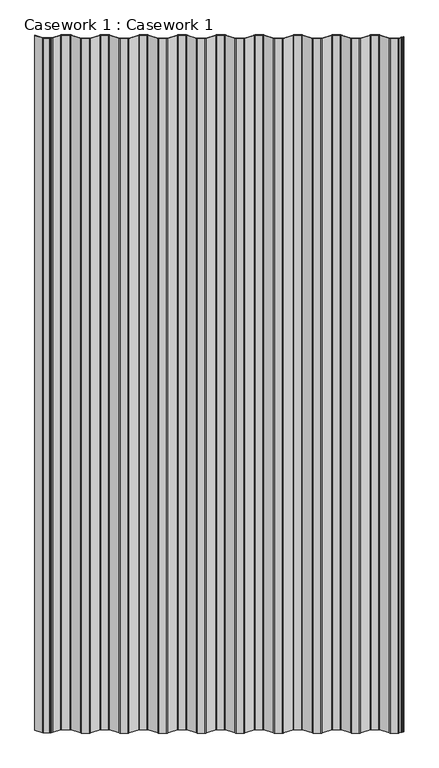
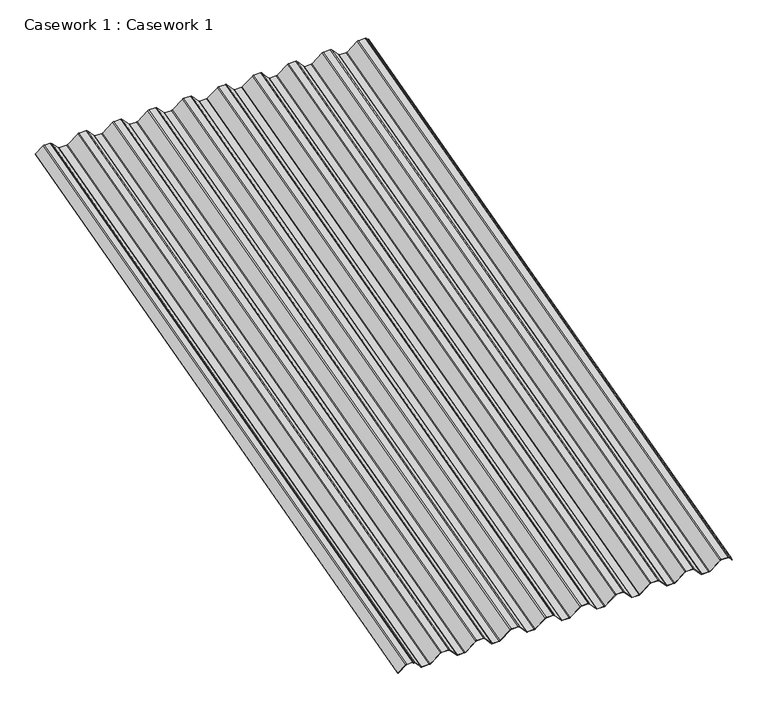
"""IFC4 building model written with IfcOpenShell, lengths in millimetres: furniture geometry, Casework 1 : Casework 1."""

from ifc_helpers import new_model, si_unit, point, frame, frame_2d, origin, place, context, project, spatial, polyline, circle_curve, trimmed, segment, composite_curve, outline, extrude, source, transform, mapped, element, save


def casework_1_casework_1_be4802f5(model_context):
    return source(origin(), model_context, "Body", "SweptSolid", [
        extrude(outline(composite_curve([segment(polyline([(22.4266797, 18.2436099), (17.0394884, 22.7230352)]), True, "CONTINUOUS"), segment(trimmed(circle_curve(frame_2d((17.4272006, 23.0454162)), 0.5042323), [point((17.0394884, 22.7230352))], [point((17.7495816, 23.4331284))], False, "CARTESIAN"), True, "CONTINUOUS"), segment(polyline([(17.7495816, 23.4331284), (22.7475344, 19.2773532), (24.8599332, 19.4717018), (25.628849, 18.8323518), (25.8231976, 16.719953), (30.8211505, 12.5641778)]), True, "CONTINUOUS"), segment(trimmed(circle_curve(frame_2d((28.25, 9.5)), 4.0), [point((30.8211505, 12.5641778))], [point((32.25, 9.5))], False, "CARTESIAN"), True, "CONTINUOUS"), segment(polyline([(32.25, 9.5), (32.25, -9.5)]), True, "CONTINUOUS"), segment(trimmed(circle_curve(frame_2d((28.25, -9.5)), 4.0), [point((32.25, -9.5))], [point((30.8282571, -12.5582005))], False, "CARTESIAN"), True, "CONTINUOUS"), segment(polyline([(30.8282571, -12.5582005), (2.0663072, -36.8063496)]), True, "CONTINUOUS"), segment(trimmed(circle_curve(frame_2d((4.0, -39.1)), 3.0), [point((2.0663072, -36.8063496))], [point((1.0, -39.1))], True, "CARTESIAN"), True, "CONTINUOUS"), segment(polyline([(1.0, -39.1), (1.0, -58.12)]), True, "CONTINUOUS"), segment(trimmed(circle_curve(frame_2d((4.0, -58.12)), 3.0), [point((1.0, -58.12))], [point((2.0663065, -60.4136498))], True, "CARTESIAN"), True, "CONTINUOUS"), segment(polyline([(2.0663065, -60.4136498), (30.8211505, -84.6558222)]), True, "CONTINUOUS"), segment(trimmed(circle_curve(frame_2d((28.25, -87.72)), 4.0), [point((30.8211505, -84.6558222))], [point((32.25, -87.72))], False, "CARTESIAN"), True, "CONTINUOUS"), segment(polyline([(32.25, -87.72), (32.25, -106.72)]), True, "CONTINUOUS"), segment(trimmed(circle_curve(frame_2d((28.25, -106.72)), 4.0), [point((32.25, -106.72))], [point((30.8211505, -109.7841778))], False, "CARTESIAN"), True, "CONTINUOUS"), segment(polyline([(30.8211505, -109.7841778), (2.0716372, -134.0218666)]), True, "CONTINUOUS"), segment(trimmed(circle_curve(frame_2d((4.0, -136.32)), 3.0), [point((2.0716372, -134.0218666))], [point((1.0, -136.32))], True, "CARTESIAN"), True, "CONTINUOUS"), segment(polyline([(1.0, -136.32), (1.0, -155.342)]), True, "CONTINUOUS"), segment(trimmed(circle_curve(frame_2d((4.0, -155.342)), 3.0), [point((1.0, -155.342))], [point((2.0716372, -157.6401333))], True, "CARTESIAN"), True, "CONTINUOUS"), segment(polyline([(2.0716372, -157.6401333), (30.8211505, -181.8778222)]), True, "CONTINUOUS"), segment(trimmed(circle_curve(frame_2d((28.25, -184.942)), 4.0), [point((30.8211505, -181.8778222))], [point((32.25, -184.942))], False, "CARTESIAN"), True, "CONTINUOUS"), segment(polyline([(32.25, -184.942), (32.25, -203.942)]), True, "CONTINUOUS"), segment(trimmed(circle_curve(frame_2d((28.25, -203.942)), 4.0), [point((32.25, -203.942))], [point((30.8282571, -207.0002005))], False, "CARTESIAN"), True, "CONTINUOUS"), segment(polyline([(30.8282571, -207.0002005), (2.0663072, -231.2483496)]), True, "CONTINUOUS"), segment(trimmed(circle_curve(frame_2d((4.0, -233.542)), 3.0), [point((2.0663072, -231.2483496))], [point((1.0, -233.542))], True, "CARTESIAN"), True, "CONTINUOUS"), segment(polyline([(1.0, -233.542), (1.0, -252.564)]), True, "CONTINUOUS"), segment(trimmed(circle_curve(frame_2d((4.0, -252.564)), 3.0), [point((1.0, -252.564))], [point((2.0716372, -254.8621333))], True, "CARTESIAN"), True, "CONTINUOUS"), segment(polyline([(2.0716372, -254.8621333), (30.8211505, -279.0998222)]), True, "CONTINUOUS"), segment(trimmed(circle_curve(frame_2d((28.25, -282.164)), 4.0), [point((30.8211505, -279.0998222))], [point((32.25, -282.164))], False, "CARTESIAN"), True, "CONTINUOUS"), segment(polyline([(32.25, -282.164), (32.25, -301.164)]), True, "CONTINUOUS"), segment(trimmed(circle_curve(frame_2d((28.25, -301.164)), 4.0), [point((32.25, -301.164))], [point((30.8282578, -304.2221999))], False, "CARTESIAN"), True, "CONTINUOUS"), segment(polyline([(30.8282578, -304.2221999), (2.0716372, -328.4658666)]), True, "CONTINUOUS"), segment(trimmed(circle_curve(frame_2d((4.0, -330.764)), 3.0), [point((2.0716372, -328.4658666))], [point((1.0, -330.764))], True, "CARTESIAN"), True, "CONTINUOUS"), segment(polyline([(1.0, -330.764), (1.0, -349.786)]), True, "CONTINUOUS"), segment(trimmed(circle_curve(frame_2d((4.0, -349.786)), 3.0), [point((1.0, -349.786))], [point((2.0716372, -352.0841333))], True, "CARTESIAN"), True, "CONTINUOUS"), segment(polyline([(2.0716372, -352.0841333), (30.8211505, -376.3218222)]), True, "CONTINUOUS"), segment(trimmed(circle_curve(frame_2d((28.25, -379.386)), 4.0), [point((30.8211505, -376.3218222))], [point((32.25, -379.386))], False, "CARTESIAN"), True, "CONTINUOUS"), segment(polyline([(32.25, -379.386), (32.25, -398.386)]), True, "CONTINUOUS"), segment(trimmed(circle_curve(frame_2d((28.25, -398.386)), 4.0), [point((32.25, -398.386))], [point((30.8211505, -401.4501778))], False, "CARTESIAN"), True, "CONTINUOUS"), segment(polyline([(30.8211505, -401.4501778), (2.0663065, -425.6923502)]), True, "CONTINUOUS"), segment(trimmed(circle_curve(frame_2d((4.0, -427.986)), 3.0), [point((2.0663065, -425.6923502))], [point((1.0, -427.986))], True, "CARTESIAN"), True, "CONTINUOUS"), segment(polyline([(1.0, -427.986), (1.0, -447.008)]), True, "CONTINUOUS"), segment(trimmed(circle_curve(frame_2d((4.0, -447.008)), 3.0), [point((1.0, -447.008))], [point((2.0663072, -449.3016504))], True, "CARTESIAN"), True, "CONTINUOUS"), segment(polyline([(2.0663072, -449.3016504), (30.8282571, -473.5497995)]), True, "CONTINUOUS"), segment(trimmed(circle_curve(frame_2d((28.25, -476.608)), 4.0), [point((30.8282571, -473.5497995))], [point((32.25, -476.608))], False, "CARTESIAN"), True, "CONTINUOUS"), segment(polyline([(32.25, -476.608), (32.25, -495.608)]), True, "CONTINUOUS"), segment(trimmed(circle_curve(frame_2d((28.25, -495.608)), 4.0), [point((32.25, -495.608))], [point((30.8282578, -498.6661999))], False, "CARTESIAN"), True, "CONTINUOUS"), segment(polyline([(30.8282578, -498.6661999), (2.0716372, -522.9098666)]), True, "CONTINUOUS"), segment(trimmed(circle_curve(frame_2d((4.0, -525.208)), 3.0), [point((2.0716372, -522.9098666))], [point((1.0, -525.208))], True, "CARTESIAN"), True, "CONTINUOUS"), segment(polyline([(1.0, -525.208), (1.0, -544.232)]), True, "CONTINUOUS"), segment(trimmed(circle_curve(frame_2d((4.0, -544.232)), 3.0), [point((1.0, -544.232))], [point((2.0716372, -546.5301333))], True, "CARTESIAN"), True, "CONTINUOUS"), segment(polyline([(2.0716372, -546.5301333), (30.8211505, -570.7678222)]), True, "CONTINUOUS"), segment(trimmed(circle_curve(frame_2d((28.25, -573.832)), 4.0), [point((30.8211505, -570.7678222))], [point((32.25, -573.832))], False, "CARTESIAN"), True, "CONTINUOUS"), segment(polyline([(32.25, -573.832), (32.25, -592.832)]), True, "CONTINUOUS"), segment(trimmed(circle_curve(frame_2d((28.25, -592.832)), 4.0), [point((32.25, -592.832))], [point((30.8211505, -595.8961778))], False, "CARTESIAN"), True, "CONTINUOUS"), segment(polyline([(30.8211505, -595.8961778), (2.0716372, -620.1338666)]), True, "CONTINUOUS"), segment(trimmed(circle_curve(frame_2d((4.0, -622.432)), 3.0), [point((2.0716372, -620.1338666))], [point((1.0, -622.432))], True, "CARTESIAN"), True, "CONTINUOUS"), segment(polyline([(1.0, -622.432), (1.0, -641.454)]), True, "CONTINUOUS"), segment(trimmed(circle_curve(frame_2d((4.0, -641.454)), 3.0), [point((1.0, -641.454))], [point((2.0716372, -643.7521333))], True, "CARTESIAN"), True, "CONTINUOUS"), segment(polyline([(2.0716372, -643.7521333), (30.8211505, -667.9898222)]), True, "CONTINUOUS"), segment(trimmed(circle_curve(frame_2d((28.25, -671.054)), 4.0), [point((30.8211505, -667.9898222))], [point((32.25, -671.054))], False, "CARTESIAN"), True, "CONTINUOUS"), segment(polyline([(32.25, -671.054), (32.25, -690.054)]), True, "CONTINUOUS"), segment(trimmed(circle_curve(frame_2d((28.25, -690.054)), 4.0), [point((32.25, -690.054))], [point((30.8211505, -693.1181778))], False, "CARTESIAN"), True, "CONTINUOUS"), segment(polyline([(30.8211505, -693.1181778), (2.0716372, -717.3558666)]), True, "CONTINUOUS"), segment(trimmed(circle_curve(frame_2d((4.0, -719.654)), 3.0), [point((2.0716372, -717.3558666))], [point((1.0, -719.654))], True, "CARTESIAN"), True, "CONTINUOUS"), segment(polyline([(1.0, -719.654), (1.0, -738.676)]), True, "CONTINUOUS"), segment(trimmed(circle_curve(frame_2d((4.0, -738.676)), 3.0), [point((1.0, -738.676))], [point((2.0716372, -740.9741333))], True, "CARTESIAN"), True, "CONTINUOUS"), segment(polyline([(2.0716372, -740.9741333), (30.8211505, -765.2118222)]), True, "CONTINUOUS"), segment(trimmed(circle_curve(frame_2d((28.25, -768.276)), 4.0), [point((30.8211505, -765.2118222))], [point((32.25, -768.276))], False, "CARTESIAN"), True, "CONTINUOUS"), segment(polyline([(32.25, -768.276), (32.25, -787.276)]), True, "CONTINUOUS"), segment(trimmed(circle_curve(frame_2d((28.25, -787.276)), 4.0), [point((32.25, -787.276))], [point((30.8211505, -790.3401778))], False, "CARTESIAN"), True, "CONTINUOUS"), segment(polyline([(30.8211505, -790.3401778), (2.0716372, -814.5778666)]), True, "CONTINUOUS"), segment(trimmed(circle_curve(frame_2d((4.0, -816.876)), 3.0), [point((2.0716372, -814.5778666))], [point((1.0, -816.876))], True, "CARTESIAN"), True, "CONTINUOUS"), segment(polyline([(1.0, -816.876), (1.0, -838.6568295)]), True, "CONTINUOUS"), segment(trimmed(circle_curve(frame_2d((4.0, -838.6568295)), 3.0), [point((1.0, -838.6568295))], [point((2.0716372, -840.9549628))], True, "CARTESIAN"), True, "CONTINUOUS"), segment(polyline([(2.0716372, -840.9549628), (26.2500001, -861.3706417), (26.2500001, -863.7304827)]), True, "CONTINUOUS"), segment(trimmed(circle_curve(frame_2d((27.25, -863.7304827)), 1.0), [point((26.2500001, -863.7304827))], [point((26.61065, -864.4993985))], True, "CARTESIAN"), True, "CONTINUOUS"), segment(polyline([(26.61065, -864.4993985), (29.8971979, -867.2321483)]), True, "CONTINUOUS"), segment(trimmed(circle_curve(frame_2d((29.2578479, -868.0010641)), 1.0), [point((29.8971979, -867.2321483))], [point((30.2578478, -868.001572))], False, "CARTESIAN"), True, "CONTINUOUS"), segment(polyline([(30.2578478, -868.001572), (30.2500001, -883.4536328)]), True, "CONTINUOUS"), segment(trimmed(circle_curve(frame_2d((26.2500001, -883.4536328)), 4.0), [point((30.2500001, -883.4536328))], [point((28.8211505, -886.5178105))], False, "CARTESIAN"), True, "CONTINUOUS"), segment(polyline([(28.8211505, -886.5178105), (6.1904487, -905.5969394)]), True, "CONTINUOUS"), segment(trimmed(circle_curve(frame_2d((5.8742903, -905.2059099)), 0.5028521), [point((6.1904487, -905.5969394))], [point((5.4965708, -904.8739638))], False, "CARTESIAN"), True, "CONTINUOUS"), segment(polyline([(5.4965708, -904.8739638), (28.1898359, -885.7420901)]), True, "CONTINUOUS"), segment(trimmed(circle_curve(frame_2d((26.2500001, -883.4536328)), 3.0), [point((28.1898359, -885.7420901))], [point((29.25, -883.4536328))], True, "CARTESIAN"), True, "CONTINUOUS"), segment(polyline([(29.25, -883.4536328), (29.2578479, -868.0010641), (25.9713, -865.2683143)]), True, "CONTINUOUS"), segment(trimmed(circle_curve(frame_2d((27.25, -863.7304827)), 2.0), [point((25.9713, -865.2683143))], [point((25.25, -863.7304827))], False, "CARTESIAN"), True, "CONTINUOUS"), segment(polyline([(25.25, -863.7304827), (25.25, -861.8350701), (1.4112273, -841.7061337)]), True, "CONTINUOUS"), segment(trimmed(circle_curve(frame_2d((4.0, -838.6568295)), 4.0), [point((1.4112273, -841.7061337))], [point((0.0, -838.6568295))], False, "CARTESIAN"), True, "CONTINUOUS"), segment(polyline([(0.0, -838.6568295), (0.0, -816.876)]), True, "CONTINUOUS"), segment(trimmed(circle_curve(frame_2d((4.0, -816.876)), 4.0), [point((0.0, -816.876))], [point((1.4278965, -813.8126222))], False, "CARTESIAN"), True, "CONTINUOUS"), segment(polyline([(1.4278965, -813.8126222), (30.1775372, -789.5748259)]), True, "CONTINUOUS"), segment(trimmed(circle_curve(frame_2d((28.25, -787.276)), 3.0), [point((30.1775372, -789.5748259))], [point((31.25, -787.2759999))], True, "CARTESIAN"), True, "CONTINUOUS"), segment(polyline([(31.25, -787.2759999), (31.2499995, -768.2759999)]), True, "CONTINUOUS"), segment(trimmed(circle_curve(frame_2d((28.2499995, -768.276)), 3.0), [point((31.2499995, -768.2759999))], [point((30.1776317, -765.9772538))], True, "CARTESIAN"), True, "CONTINUOUS"), segment(polyline([(30.1776317, -765.9772538), (1.4278965, -741.7393777)]), True, "CONTINUOUS"), segment(trimmed(circle_curve(frame_2d((4.0, -738.676)), 4.0), [point((1.4278965, -741.7393777))], [point((0.0, -738.676))], False, "CARTESIAN"), True, "CONTINUOUS"), segment(polyline([(0.0, -738.676), (0.0, -719.654)]), True, "CONTINUOUS"), segment(trimmed(circle_curve(frame_2d((4.0, -719.654)), 4.0), [point((0.0, -719.654))], [point((1.4278965, -716.5906222))], False, "CARTESIAN"), True, "CONTINUOUS"), segment(polyline([(1.4278965, -716.5906222), (30.1775372, -692.3528259)]), True, "CONTINUOUS"), segment(trimmed(circle_curve(frame_2d((28.25, -690.054)), 3.0), [point((30.1775372, -692.3528259))], [point((31.25, -690.0539999))], True, "CARTESIAN"), True, "CONTINUOUS"), segment(polyline([(31.25, -690.0539999), (31.2499995, -671.0539999)]), True, "CONTINUOUS"), segment(trimmed(circle_curve(frame_2d((28.2499995, -671.054)), 3.0), [point((31.2499995, -671.0539999))], [point((30.1776317, -668.7552538))], True, "CARTESIAN"), True, "CONTINUOUS"), segment(polyline([(30.1776317, -668.7552538), (1.4278965, -644.5173777)]), True, "CONTINUOUS"), segment(trimmed(circle_curve(frame_2d((4.0, -641.454)), 4.0), [point((1.4278965, -644.5173777))], [point((0.0, -641.454))], False, "CARTESIAN"), True, "CONTINUOUS"), segment(polyline([(0.0, -641.454), (0.0, -622.432)]), True, "CONTINUOUS"), segment(trimmed(circle_curve(frame_2d((4.0, -622.432)), 4.0), [point((0.0, -622.432))], [point((1.4278965, -619.3686222))], False, "CARTESIAN"), True, "CONTINUOUS"), segment(polyline([(1.4278965, -619.3686222), (30.1775372, -595.1308259)]), True, "CONTINUOUS"), segment(trimmed(circle_curve(frame_2d((28.25, -592.832)), 3.0), [point((30.1775372, -595.1308259))], [point((31.25, -592.8319999))], True, "CARTESIAN"), True, "CONTINUOUS"), segment(polyline([(31.25, -592.8319999), (31.2499995, -573.8319999)]), True, "CONTINUOUS"), segment(trimmed(circle_curve(frame_2d((28.2499995, -573.832)), 3.0), [point((31.2499995, -573.8319999))], [point((30.1776317, -571.5332538))], True, "CARTESIAN"), True, "CONTINUOUS"), segment(polyline([(30.1776317, -571.5332538), (1.4278965, -547.2953777)]), True, "CONTINUOUS"), segment(trimmed(circle_curve(frame_2d((4.0, -544.232)), 4.0), [point((1.4278965, -547.2953777))], [point((0.0, -544.232))], False, "CARTESIAN"), True, "CONTINUOUS"), segment(polyline([(0.0, -544.232), (0.0, -525.208)]), True, "CONTINUOUS"), segment(trimmed(circle_curve(frame_2d((4.0, -525.208)), 4.0), [point((0.0, -525.208))], [point((1.4278965, -522.1446222))], False, "CARTESIAN"), True, "CONTINUOUS"), segment(polyline([(1.4278965, -522.1446222), (30.1836928, -497.9016504)]), True, "CONTINUOUS"), segment(trimmed(circle_curve(frame_2d((28.2499995, -495.6080004)), 3.0), [point((30.1836928, -497.9016504))], [point((31.2499995, -495.6080005))], True, "CARTESIAN"), True, "CONTINUOUS"), segment(polyline([(31.2499995, -495.6080005), (31.25, -476.6080001)]), True, "CONTINUOUS"), segment(trimmed(circle_curve(frame_2d((28.25, -476.608)), 3.0), [point((31.25, -476.6080001))], [point((30.1836928, -474.3143496))], True, "CARTESIAN"), True, "CONTINUOUS"), segment(polyline([(30.1836928, -474.3143496), (1.4217429, -450.0662005)]), True, "CONTINUOUS"), segment(trimmed(circle_curve(frame_2d((4.0, -447.008)), 4.0), [point((1.4217429, -450.0662005))], [point((0.0, -447.008))], False, "CARTESIAN"), True, "CONTINUOUS"), segment(polyline([(0.0, -447.008), (0.0, -427.986)]), True, "CONTINUOUS"), segment(trimmed(circle_curve(frame_2d((4.0, -427.986)), 4.0), [point((0.0, -427.986))], [point((1.421742, -424.9278002))], False, "CARTESIAN"), True, "CONTINUOUS"), segment(polyline([(1.421742, -424.9278002), (30.1775373, -400.6848258)]), True, "CONTINUOUS"), segment(trimmed(circle_curve(frame_2d((28.25, -398.386)), 3.0), [point((30.1775373, -400.6848258))], [point((31.25, -398.3859999))], True, "CARTESIAN"), True, "CONTINUOUS"), segment(polyline([(31.25, -398.3859999), (31.2499995, -379.3859999)]), True, "CONTINUOUS"), segment(trimmed(circle_curve(frame_2d((28.2499995, -379.386)), 3.0), [point((31.2499995, -379.3859999))], [point((30.1776317, -377.0872538))], True, "CARTESIAN"), True, "CONTINUOUS"), segment(polyline([(30.1776317, -377.0872538), (1.4278965, -352.8493777)]), True, "CONTINUOUS"), segment(trimmed(circle_curve(frame_2d((4.0, -349.786)), 4.0), [point((1.4278965, -352.8493777))], [point((0.0, -349.786))], False, "CARTESIAN"), True, "CONTINUOUS"), segment(polyline([(0.0, -349.786), (0.0, -330.764)]), True, "CONTINUOUS"), segment(trimmed(circle_curve(frame_2d((4.0, -330.764)), 4.0), [point((0.0, -330.764))], [point((1.4278965, -327.7006222))], False, "CARTESIAN"), True, "CONTINUOUS"), segment(polyline([(1.4278965, -327.7006222), (30.1836933, -303.4576499)]), True, "CONTINUOUS"), segment(trimmed(circle_curve(frame_2d((28.25, -301.164)), 3.0), [point((30.1836933, -303.4576499))], [point((31.2499995, -301.1622476))], True, "CARTESIAN"), True, "CONTINUOUS"), segment(polyline([(31.2499995, -301.1622476), (31.2499995, -282.164)]), True, "CONTINUOUS"), segment(trimmed(circle_curve(frame_2d((28.2499995, -282.164)), 3.0), [point((31.2499995, -282.164))], [point((30.1776317, -279.8652538))], True, "CARTESIAN"), True, "CONTINUOUS"), segment(polyline([(30.1776317, -279.8652538), (1.4278965, -255.6273777)]), True, "CONTINUOUS"), segment(trimmed(circle_curve(frame_2d((4.0, -252.564)), 4.0), [point((1.4278965, -255.6273777))], [point((0.0, -252.564))], False, "CARTESIAN"), True, "CONTINUOUS"), segment(polyline([(0.0, -252.564), (0.0, -233.542)]), True, "CONTINUOUS"), segment(trimmed(circle_curve(frame_2d((4.0, -233.542)), 4.0), [point((0.0, -233.542))], [point((1.4217429, -230.4837995))], False, "CARTESIAN"), True, "CONTINUOUS"), segment(polyline([(1.4217429, -230.4837995), (30.1836928, -206.2356504)]), True, "CONTINUOUS"), segment(trimmed(circle_curve(frame_2d((28.25, -203.942)), 3.0), [point((30.1836928, -206.2356504))], [point((31.2499995, -203.9402476))], True, "CARTESIAN"), True, "CONTINUOUS"), segment(polyline([(31.2499995, -203.9402476), (31.2499995, -184.942)]), True, "CONTINUOUS"), segment(trimmed(circle_curve(frame_2d((28.2499995, -184.942)), 3.0), [point((31.2499995, -184.942))], [point((30.1776317, -182.6432538))], True, "CARTESIAN"), True, "CONTINUOUS"), segment(polyline([(30.1776317, -182.6432538), (1.4278965, -158.4053777)]), True, "CONTINUOUS"), segment(trimmed(circle_curve(frame_2d((4.0, -155.342)), 4.0), [point((1.4278965, -158.4053777))], [point((0.0, -155.342))], False, "CARTESIAN"), True, "CONTINUOUS"), segment(polyline([(0.0, -155.342), (0.0, -136.32)]), True, "CONTINUOUS"), segment(trimmed(circle_curve(frame_2d((4.0, -136.32)), 4.0), [point((0.0, -136.32))], [point((1.4278965, -133.2566222))], False, "CARTESIAN"), True, "CONTINUOUS"), segment(polyline([(1.4278965, -133.2566222), (30.1775372, -109.0188259)]), True, "CONTINUOUS"), segment(trimmed(circle_curve(frame_2d((28.25, -106.72)), 3.0), [point((30.1775372, -109.0188259))], [point((31.25, -106.7199999))], True, "CARTESIAN"), True, "CONTINUOUS"), segment(polyline([(31.25, -106.7199999), (31.2499995, -87.7199999)]), True, "CONTINUOUS"), segment(trimmed(circle_curve(frame_2d((28.2499995, -87.72)), 3.0), [point((31.2499995, -87.7199999))], [point((30.1776318, -85.4212538))], True, "CARTESIAN"), True, "CONTINUOUS"), segment(polyline([(30.1776318, -85.4212538), (1.421742, -61.1781997)]), True, "CONTINUOUS"), segment(trimmed(circle_curve(frame_2d((4.0, -58.12)), 4.0), [point((1.421742, -61.1781997))], [point((0.0, -58.12))], False, "CARTESIAN"), True, "CONTINUOUS"), segment(polyline([(0.0, -58.12), (0.0, -39.1)]), True, "CONTINUOUS"), segment(trimmed(circle_curve(frame_2d((4.0, -39.1)), 4.0), [point((0.0, -39.1))], [point((1.4217429, -36.0417995))], False, "CARTESIAN"), True, "CONTINUOUS"), segment(polyline([(1.4217429, -36.0417995), (30.1836924, -11.7936508)]), True, "CONTINUOUS"), segment(trimmed(circle_curve(frame_2d((28.2499995, -9.5000004)), 3.0), [point((30.1836924, -11.7936508))], [point((31.2499995, -9.5000005))], True, "CARTESIAN"), True, "CONTINUOUS"), segment(polyline([(31.2499995, -9.5000005), (31.25, 9.4999999)]), True, "CONTINUOUS"), segment(trimmed(circle_curve(frame_2d((28.25, 9.5)), 3.0), [point((31.25, 9.4999999))], [point((30.1799548, 11.7967966))], True, "CARTESIAN"), True, "CONTINUOUS"), segment(polyline([(30.1799548, 11.7967966), (24.8653523, 16.2158647), (24.6598886, 18.4490736), (22.4266797, 18.2436099)]), True, "CONTINUOUS")], self_intersect=False)), frame((-10033.7483257, -11903.1293549, 1316.0740635), z_axis=(0.0, 0.9659258262890684, 0.2588190451025205), x_axis=(0.0, -0.2588190451025205, 0.9659258262890684)), (0.0, 0.0, 1.0), 1810.0),
    ])


if __name__ == "__main__":
    model = new_model("IFC4")
    model_context = context("Model", 3, world=origin())
    ifc_project = project(units=[si_unit("LENGTHUNIT", "METRE", prefix="MILLI")], contexts=[model_context])
    site = spatial("IfcSite", under=ifc_project)
    building = spatial("IfcBuilding", under=site)
    placement = place(None, origin())
    casework_1_casework_1_shape = casework_1_casework_1_be4802f5(model_context)
    element("IfcFurniture", 1, ObjectType="Casework 1 : Casework 1", at=placement, inside=building, context=model_context, shape_type="MappedRepresentation", body=[
        mapped(casework_1_casework_1_shape, transform((0.0, 0.0, 0.0), x_axis=(1.0, 0.0, 0.0), y_axis=(0.0, 1.0, 0.0), z_axis=(0.0, 0.0, 1.0))),
    ])
    save(model, "model.ifc")
